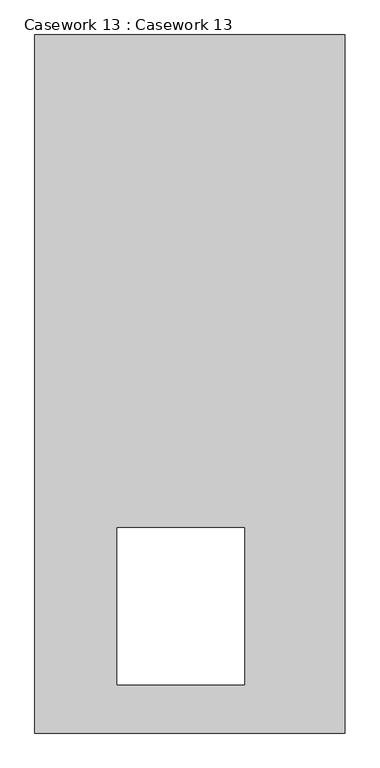
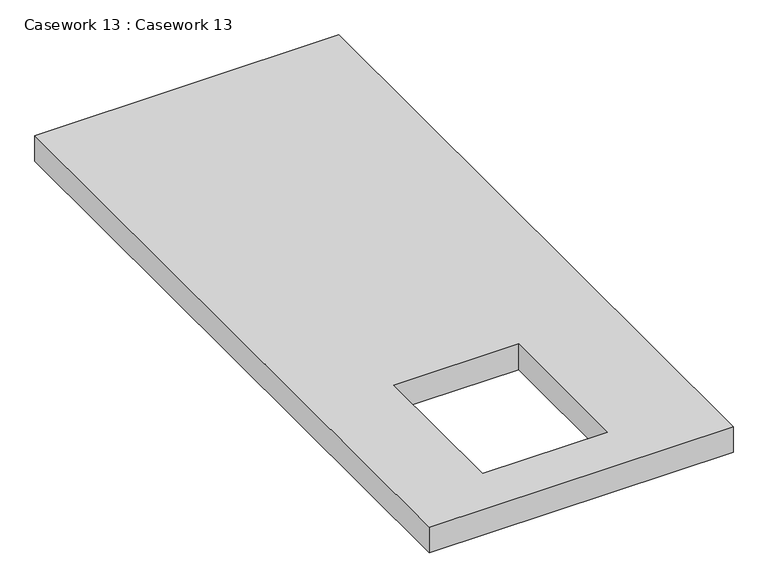
"""IFC4 building model written with IfcOpenShell, lengths in millimetres: furniture geometry, Casework 13 : Casework 13."""

from ifc_helpers import new_model, si_unit, frame, origin, place, context, project, spatial, polyline, outline, extrude, source, transform, mapped, element, save


def casework_13_casework_13_717916be(model_context):
    return source(origin(), model_context, "Body", "SweptSolid", [
        extrude(outline(polyline([(-19013.1596939, 20403.085243), (-19790.2969306, 20403.085243), (-19790.2969306, 22150.1630205), (-19013.1596939, 22150.1630205), (-19013.1596939, 20403.085243)]), holes=[polyline([(-19583.6596939, 20523.735243), (-19264.8142928, 20523.735243), (-19264.8142928, 20917.235243), (-19583.6596939, 20917.235243), (-19583.6596939, 20523.735243)])]), frame((0.0, 0.0, -13323.5106977), z_axis=(0.0, 0.0, 1.0), x_axis=(1.0, 0.0, 0.0)), (0.0, 0.0, 1.0), 69.3380901),
    ])


if __name__ == "__main__":
    model = new_model("IFC4")
    model_context = context("Model", 3, world=origin())
    ifc_project = project(units=[si_unit("LENGTHUNIT", "METRE", prefix="MILLI")], contexts=[model_context])
    site = spatial("IfcSite", under=ifc_project)
    building = spatial("IfcBuilding", under=site)
    placement = place(None, origin())
    casework_13_casework_13_shape = casework_13_casework_13_717916be(model_context)
    element("IfcFurniture", 1, ObjectType="Casework 13 : Casework 13", at=placement, inside=building, context=model_context, shape_type="MappedRepresentation", body=[
        mapped(casework_13_casework_13_shape, transform((0.0, 0.0, 0.0), x_axis=(1.0, 0.0, 0.0), y_axis=(0.0, 1.0, 0.0), z_axis=(0.0, 0.0, 1.0))),
    ])
    save(model, "model.ifc")
